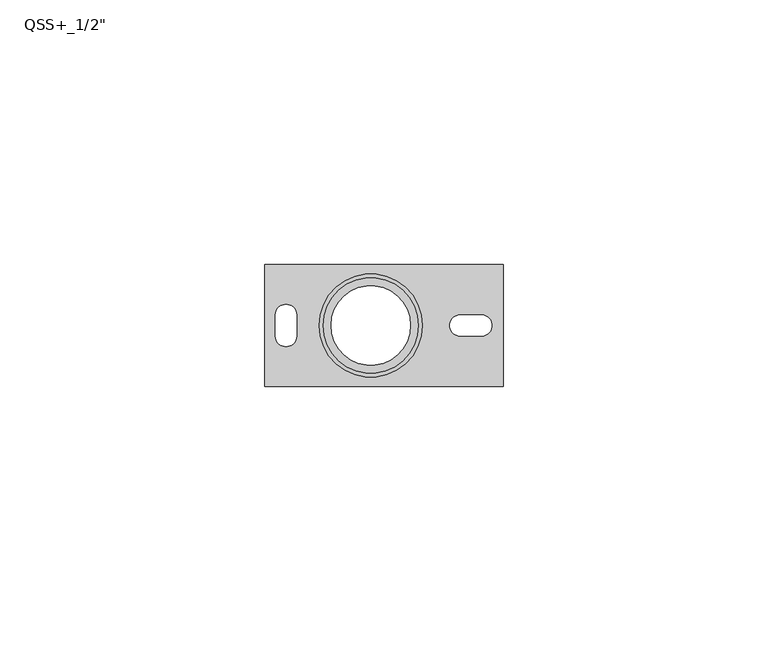
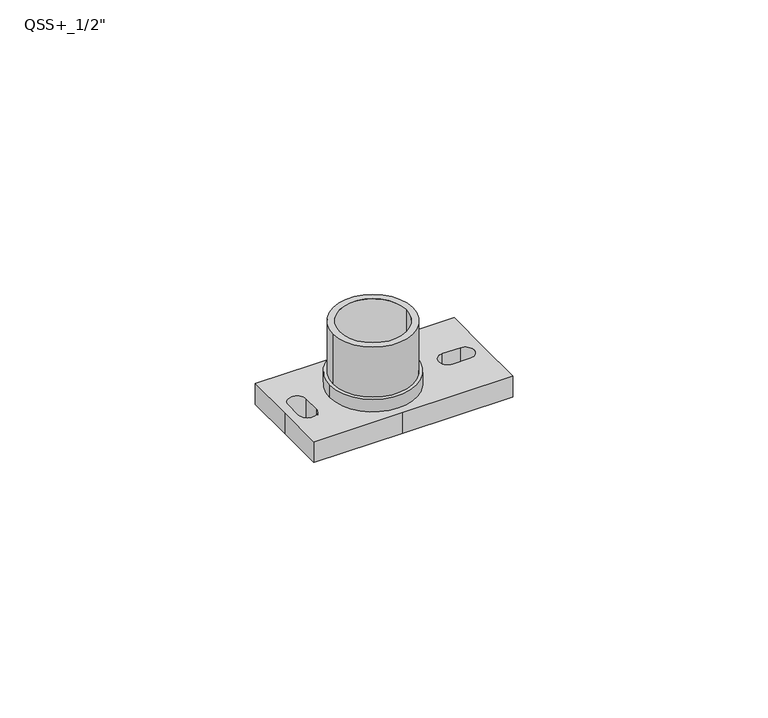
"""IFC4 building model written with IfcOpenShell, lengths in millimetres: proxy geometry."""

from ifc_helpers import new_model, si_unit, point, frame, frame_2d, origin, origin_with_axes, origin_2d, place, context, project, spatial, polyline, circle_curve, trimmed, segment, composite_curve, outline, extrude, source, transform, mapped, element, save


def proxy_58567c08(model_context):
    return source(origin(), model_context, "Body", "SweptSolid", [
        extrude(outline(composite_curve([segment(trimmed(circle_curve(origin_2d(), 9.75), [point((-9.75, 0.0))], [point((9.75, 0.0))], False, "CARTESIAN"), True, "CONTINUOUS"), segment(trimmed(circle_curve(origin_2d(), 9.75), [point((9.75, 0.0))], [point((-9.75, 0.0))], False, "CARTESIAN"), True, "CONTINUOUS")], self_intersect=False), holes=[composite_curve([segment(trimmed(circle_curve(origin_2d(), 9.0), [point((-9.0, 0.0))], [point((9.0, 0.0))], True, "CARTESIAN"), True, "CONTINUOUS"), segment(trimmed(circle_curve(origin_2d(), 9.0), [point((9.0, 0.0))], [point((-9.0, 0.0))], True, "CARTESIAN"), True, "CONTINUOUS")], self_intersect=False)]), frame((0.0, 0.0, 5.0), z_axis=(0.0, 0.0, 1.0), x_axis=(1.0, 0.0, 0.0)), (0.0, 0.0, 1.0), 3.0),
        extrude(outline(polyline([(25.0, 11.5), (25.0, 0.0), (25.0, -11.5), (0.0, -11.5), (-20.0, -11.5), (-20.0, 0.0), (-20.0, 11.5), (0.0, 11.5), (25.0, 11.5)]), holes=[composite_curve([segment(trimmed(circle_curve(origin_2d(), 9.0), [point((-9.0, 0.0))], [point((9.0, 0.0))], True, "CARTESIAN"), True, "CONTINUOUS"), segment(trimmed(circle_curve(origin_2d(), 9.0), [point((9.0, 0.0))], [point((-9.0, 0.0))], True, "CARTESIAN"), True, "CONTINUOUS")], self_intersect=False), composite_curve([segment(polyline([(-18.0, 2.0), (-18.0, -2.0)]), True, "CONTINUOUS"), segment(trimmed(circle_curve(frame_2d((-16.0, -2.0)), 2.0), [point((-18.0, -2.0))], [point((-14.0, -2.0))], True, "CARTESIAN"), True, "CONTINUOUS"), segment(polyline([(-14.0, -2.0), (-14.0, 2.0)]), True, "CONTINUOUS"), segment(trimmed(circle_curve(frame_2d((-16.0, 2.0)), 2.0), [point((-14.0, 2.0))], [point((-18.0, 2.0))], True, "CARTESIAN"), True, "CONTINUOUS")], self_intersect=False), composite_curve([segment(trimmed(circle_curve(frame_2d((16.8892095, 0.0)), 2.0), [point((16.8892095, 2.0))], [point((16.8892095, -2.0))], True, "CARTESIAN"), True, "CONTINUOUS"), segment(polyline([(16.8892095, -2.0), (20.8892095, -2.0)]), True, "CONTINUOUS"), segment(trimmed(circle_curve(frame_2d((20.8892095, 0.0)), 2.0), [point((20.8892095, -2.0))], [point((20.8892095, 2.0))], True, "CARTESIAN"), True, "CONTINUOUS"), segment(polyline([(20.8892095, 2.0), (16.8892095, 2.0)]), True, "CONTINUOUS")], self_intersect=False)]), origin_with_axes(), (0.0, 0.0, 1.0), 5.0),
        extrude(outline(composite_curve([segment(trimmed(circle_curve(origin_2d(), 9.0), [point((-9.0, 0.0))], [point((9.0, 0.0))], False, "CARTESIAN"), True, "CONTINUOUS"), segment(trimmed(circle_curve(origin_2d(), 9.0), [point((9.0, 0.0))], [point((-9.0, 0.0))], False, "CARTESIAN"), True, "CONTINUOUS")], self_intersect=False), holes=[composite_curve([segment(trimmed(circle_curve(origin_2d(), 7.5), [point((-7.5, 0.0))], [point((7.5, 0.0))], True, "CARTESIAN"), True, "CONTINUOUS"), segment(trimmed(circle_curve(origin_2d(), 7.5), [point((7.5, 0.0))], [point((-7.5, 0.0))], True, "CARTESIAN"), True, "CONTINUOUS")], self_intersect=False)]), origin_with_axes(), (0.0, 0.0, 1.0), 20.0),
    ])


if __name__ == "__main__":
    model = new_model("IFC4")
    model_context = context("Model", 3, world=origin())
    ifc_project = project(units=[si_unit("LENGTHUNIT", "METRE", prefix="MILLI")], contexts=[model_context])
    site = spatial("IfcSite", under=ifc_project)
    building = spatial("IfcBuilding", under=site)
    placement = place(None, origin())
    proxy_shape = proxy_58567c08(model_context)
    element("IfcBuildingElementProxy", 1, Name="QSS+_1/2\"", ObjectType="QSS+_1/2\"", at=placement, inside=building, context=model_context, shape_type="MappedRepresentation", body=[
        mapped(proxy_shape, transform((0.0, 0.0, 0.0), x_axis=(1.0, 0.0, 0.0), y_axis=(0.0, 1.0, 0.0), z_axis=(0.0, 0.0, 1.0))),
    ])
    save(model, "model.ifc")
